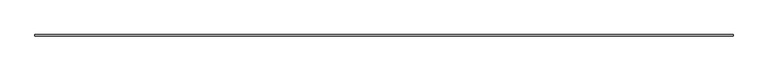
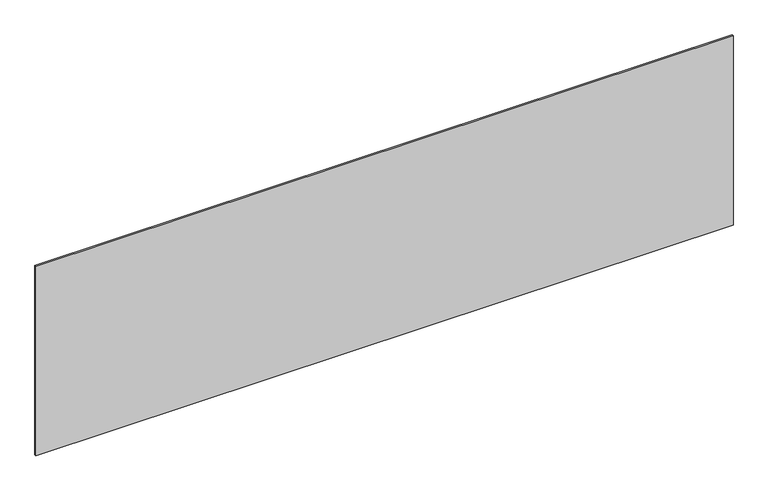
"""IFC4 building model written with IfcOpenShell, lengths in millimetres: plate geometry."""

from ifc_helpers import new_model, si_unit, origin, origin_with_axes, place, context, project, spatial, polyline, outline, extrude, source, transform, mapped, element, save


def plate_c491b749(model_context):
    return source(origin(), model_context, "Body", "SweptSolid", [
        extrude(outline(polyline([(2206.6666667, -5.0), (-2206.6666667, -5.0), (-2206.6666667, 5.0), (2206.6666667, 5.0), (2206.6666667, -5.0)])), origin_with_axes(), (0.0, 0.0, 1.0), 1267.928235),
    ])


if __name__ == "__main__":
    model = new_model("IFC4")
    model_context = context("Model", 3, world=origin())
    ifc_project = project(units=[si_unit("LENGTHUNIT", "METRE", prefix="MILLI")], contexts=[model_context])
    site = spatial("IfcSite", under=ifc_project)
    building = spatial("IfcBuilding", under=site)
    placement = place(None, origin())
    plate_shape = plate_c491b749(model_context)
    element("IfcPlate", 1, at=placement, inside=building, context=model_context, shape_type="MappedRepresentation", body=[
        mapped(plate_shape, transform((0.0, 0.0, 0.0), x_axis=(1.0, 0.0, 0.0), y_axis=(0.0, 1.0, 0.0), z_axis=(0.0, 0.0, 1.0))),
    ])
    save(model, "model.ifc")
